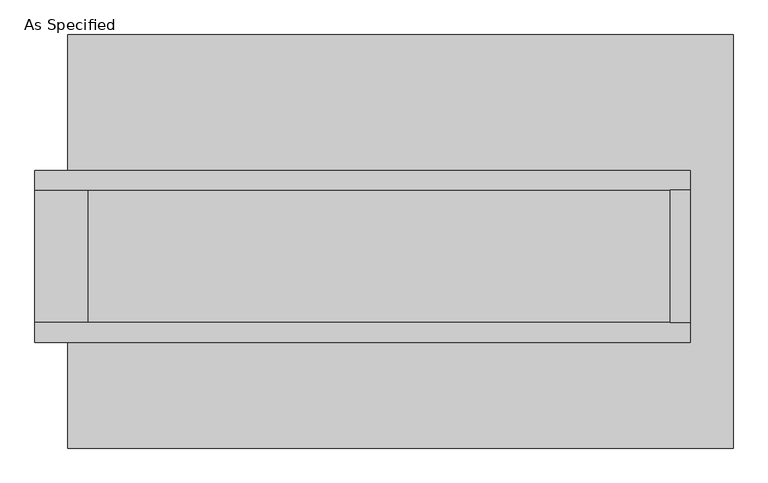
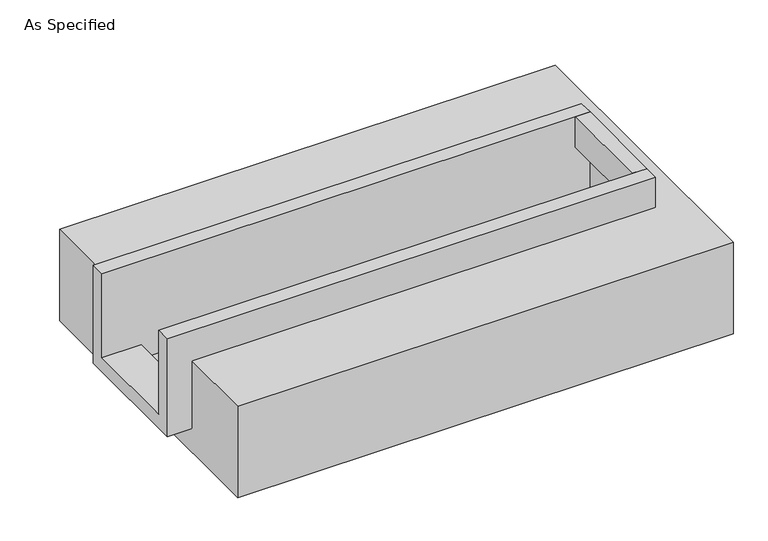
"""IFC4 building model written with IfcOpenShell, lengths in millimetres: proxy geometry, As Specified."""

from ifc_helpers import new_model, si_unit, frame, origin, place, context, project, spatial, polyline, outline, extrude, faceted_brep, source, transform, mapped, element, save


def as_specified_68c2c3da(model_context):
    return source(origin(), model_context, "Body", "SolidModel", [
        extrude(outline(polyline([(1035.05, 196.85), (1111.25, 196.85), (1111.25, -311.15), (1035.05, -311.15), (1035.05, 196.85)])), frame((0.0, 0.0, -25.4), z_axis=(0.0, 0.0, 1.0), x_axis=(1.0, 0.0, 0.0)), (0.0, 0.0, 1.0), 165.1),
        faceted_brep([(1111.25, 196.85, 139.7), (1111.25, 196.85, -317.5), (1111.25, -311.15, -317.5), (1111.25, -311.15, 139.7), (1111.25, -387.35, 139.7), (1111.25, -387.35, -393.7), (1111.25, 273.05, -393.7), (1111.25, 273.05, 139.7), (-1403.35, 196.85, 139.7), (-1403.35, 273.05, 139.7), (-1403.35, 273.05, -393.7), (-1403.35, -387.35, -393.7), (-1403.35, -387.35, 139.7), (-1403.35, -311.15, 139.7), (-1403.35, -311.15, -317.5), (-1403.35, 196.85, -317.5), (-1200.15, 196.85, -393.7), (-1200.15, -311.15, -393.7), (1035.05, -311.15, -393.7), (1035.05, 196.85, -393.7), (1035.05, -311.15, -317.5), (-1200.15, -311.15, -317.5), (1035.05, 196.85, -317.5), (-1200.15, 196.85, -317.5)], [[[0, 1, 2, 3, 4, 5, 6, 7]], [[8, 9, 10, 11, 12, 13, 14, 15]], [[0, 7, 9, 8]], [[7, 6, 10, 9]], [[6, 5, 11, 10], [16, 17, 18, 19]], [[4, 3, 13, 12]], [[3, 2, 20, 18, 17, 21, 14, 13]], [[2, 1, 22, 20]], [[15, 14, 21, 23]], [[1, 0, 8, 15, 23, 16, 19, 22]], [[21, 17, 16, 23]], [[18, 20, 22, 19]], [[5, 4, 12, 11]]]),
        faceted_brep([(-1276.35, 793.75, -523.9742188), (1276.35, 793.75, -523.9742188), (1276.35, -793.75, -523.9742188), (-1276.35, -793.75, -523.9742188), (1276.35, 793.75, -25.4), (-1276.35, 793.75, -25.4), (-1276.35, 273.05, -25.4), (1111.25, 273.05, -25.4), (1111.25, -387.35, -25.4), (-1276.35, -387.35, -25.4), (-1276.35, -793.75, -25.4), (1276.35, -793.75, -25.4), (-1276.35, -387.35, -393.7), (-1276.35, 273.05, -393.7), (1111.25, 273.05, -393.7), (1111.25, -387.35, -393.7)], [[[0, 1, 2, 3]], [[4, 5, 6, 7, 8, 9, 10, 11]], [[1, 0, 5, 4]], [[5, 0, 3, 10, 9, 12, 13, 6]], [[1, 4, 11, 2]], [[3, 2, 11, 10]], [[14, 15, 8, 7]], [[13, 14, 7, 6]], [[15, 14, 13, 12]], [[15, 12, 9, 8]]]),
    ])


if __name__ == "__main__":
    model = new_model("IFC4")
    model_context = context("Model", 3, world=origin())
    ifc_project = project(units=[si_unit("LENGTHUNIT", "METRE", prefix="MILLI")], contexts=[model_context])
    site = spatial("IfcSite", under=ifc_project)
    building = spatial("IfcBuilding", under=site)
    placement = place(None, origin())
    as_specified_shape = as_specified_68c2c3da(model_context)
    element("IfcBuildingElementProxy", 1, Name="As Specified", ObjectType="As Specified", at=placement, inside=building, context=model_context, shape_type="MappedRepresentation", body=[
        mapped(as_specified_shape, transform((0.0, 0.0, 0.0), x_axis=(1.0, 0.0, 0.0), y_axis=(0.0, 1.0, 0.0), z_axis=(0.0, 0.0, 1.0))),
    ])
    save(model, "model.ifc")
